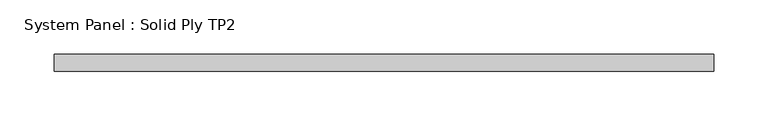
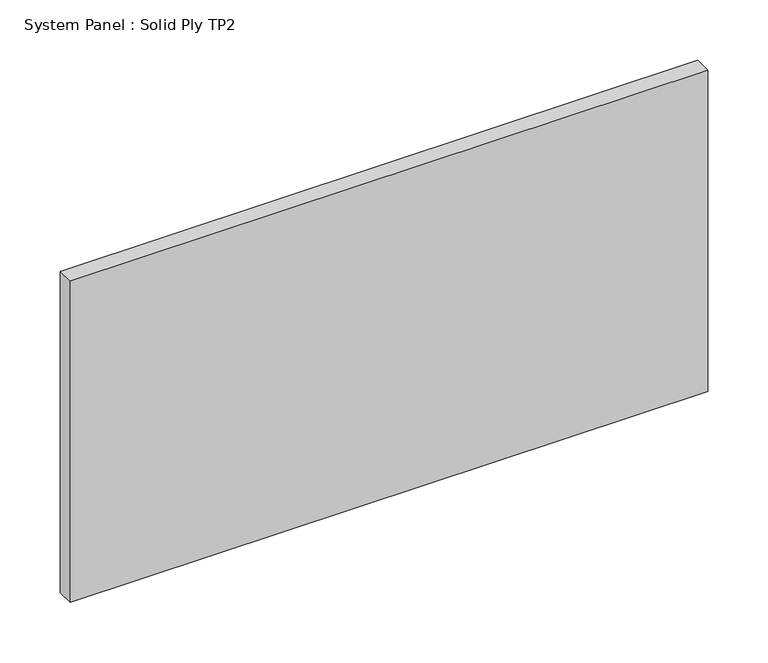
"""IFC4 building model written with IfcOpenShell, lengths in millimetres: plate geometry, System Panel : Solid Ply TP2."""

from ifc_helpers import new_model, si_unit, origin, origin_with_axes, place, context, project, spatial, polyline, outline, extrude, source, transform, mapped, element, save


def system_panel_solid_ply_tp2_bfdbd844(model_context):
    return source(origin(), model_context, "Body", "SweptSolid", [
        extrude(outline(polyline([(304.5000002, -23.0), (-304.5000002, -23.0), (-304.5000002, -7.0), (304.5000002, -7.0), (304.5000002, -23.0)])), origin_with_axes(), (0.0, 0.0, 1.0), 325.0),
    ])


if __name__ == "__main__":
    model = new_model("IFC4")
    model_context = context("Model", 3, world=origin())
    ifc_project = project(units=[si_unit("LENGTHUNIT", "METRE", prefix="MILLI")], contexts=[model_context])
    site = spatial("IfcSite", under=ifc_project)
    building = spatial("IfcBuilding", under=site)
    placement = place(None, origin())
    system_panel_solid_ply_tp2_shape = system_panel_solid_ply_tp2_bfdbd844(model_context)
    element("IfcPlate", 1, ObjectType="System Panel : Solid Ply TP2", at=placement, inside=building, context=model_context, shape_type="MappedRepresentation", body=[
        mapped(system_panel_solid_ply_tp2_shape, transform((0.0, 0.0, 0.0), x_axis=(1.0, 0.0, 0.0), y_axis=(0.0, 1.0, 0.0), z_axis=(0.0, 0.0, 1.0))),
    ])
    save(model, "model.ifc")
